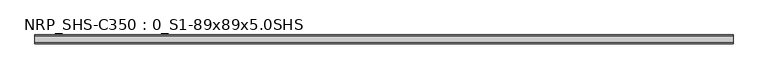
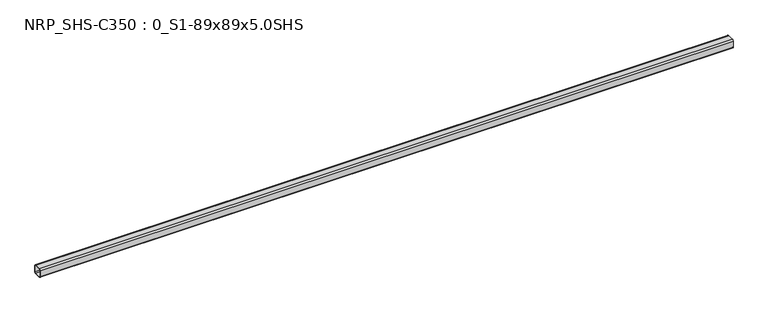
"""IFC4 building model written with IfcOpenShell, lengths in millimetres: beam geometry, NRP_SHS-C350 : 0_S1-89x89x5.0SHS."""

from ifc_helpers import new_model, si_unit, point, frame, frame_2d, origin, place, context, project, spatial, polyline, circle_curve, trimmed, segment, composite_curve, outline, extrude, source, transform, mapped, element, save


def nrp_shs_c350_0_s1_89x89x5_0shs_d5c78078(model_context):
    return source(origin(), model_context, "Body", "SweptSolid", [
        extrude(outline(composite_curve([segment(trimmed(circle_curve(frame_2d((-32.0, 32.0)), 12.5), [point((-44.5, 32.0))], [point((-32.0, 44.5))], False, "CARTESIAN"), True, "CONTINUOUS"), segment(polyline([(-32.0, 44.5), (32.0, 44.5)]), True, "CONTINUOUS"), segment(trimmed(circle_curve(frame_2d((32.0, 32.0)), 12.5), [point((32.0, 44.5))], [point((44.5, 32.0))], False, "CARTESIAN"), True, "CONTINUOUS"), segment(polyline([(44.5, 32.0), (44.5, -32.0)]), True, "CONTINUOUS"), segment(trimmed(circle_curve(frame_2d((32.0, -32.0)), 12.5), [point((44.5, -32.0))], [point((32.0, -44.5))], False, "CARTESIAN"), True, "CONTINUOUS"), segment(polyline([(32.0, -44.5), (-32.0, -44.5)]), True, "CONTINUOUS"), segment(trimmed(circle_curve(frame_2d((-32.0, -32.0)), 12.5), [point((-32.0, -44.5))], [point((-44.5, -32.0))], False, "CARTESIAN"), True, "CONTINUOUS"), segment(polyline([(-44.5, -32.0), (-44.5, 32.0)]), True, "CONTINUOUS")], self_intersect=False), holes=[composite_curve([segment(polyline([(32.0, 39.5), (-32.0, 39.5)]), True, "CONTINUOUS"), segment(trimmed(circle_curve(frame_2d((-32.0, 32.0)), 7.5), [point((-32.0, 39.5))], [point((-39.5, 32.0))], True, "CARTESIAN"), True, "CONTINUOUS"), segment(polyline([(-39.5, 32.0), (-39.5, -32.0)]), True, "CONTINUOUS"), segment(trimmed(circle_curve(frame_2d((-32.0, -32.0)), 7.5), [point((-39.5, -32.0))], [point((-32.0, -39.5))], True, "CARTESIAN"), True, "CONTINUOUS"), segment(polyline([(-32.0, -39.5), (32.0, -39.5)]), True, "CONTINUOUS"), segment(trimmed(circle_curve(frame_2d((32.0, -32.0)), 7.5), [point((32.0, -39.5))], [point((39.5, -32.0))], True, "CARTESIAN"), True, "CONTINUOUS"), segment(polyline([(39.5, -32.0), (39.5, 32.0)]), True, "CONTINUOUS"), segment(trimmed(circle_curve(frame_2d((32.0, 32.0)), 7.5), [point((39.5, 32.0))], [point((32.0, 39.5))], True, "CARTESIAN"), True, "CONTINUOUS")], self_intersect=False)]), frame((-3472.0, 0.0, 0.0), z_axis=(1.0, 0.0, 0.0), x_axis=(0.0, 1.0, 0.0)), (0.0, 0.0, 1.0), 6962.0),
    ])


if __name__ == "__main__":
    model = new_model("IFC4")
    model_context = context("Model", 3, world=origin())
    ifc_project = project(units=[si_unit("LENGTHUNIT", "METRE", prefix="MILLI")], contexts=[model_context])
    site = spatial("IfcSite", under=ifc_project)
    building = spatial("IfcBuilding", under=site)
    placement = place(None, origin())
    nrp_shs_c350_0_s1_89x89x5_0shs_shape = nrp_shs_c350_0_s1_89x89x5_0shs_d5c78078(model_context)
    element("IfcBeam", 1, ObjectType="NRP_SHS-C350 : 0_S1-89x89x5.0SHS", at=placement, inside=building, context=model_context, shape_type="MappedRepresentation", body=[
        mapped(nrp_shs_c350_0_s1_89x89x5_0shs_shape, transform((0.0, 0.0, 0.0), x_axis=(1.0, 0.0, 0.0), y_axis=(0.0, 1.0, 0.0), z_axis=(0.0, 0.0, 1.0))),
    ])
    save(model, "model.ifc")
